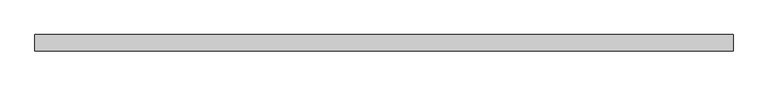
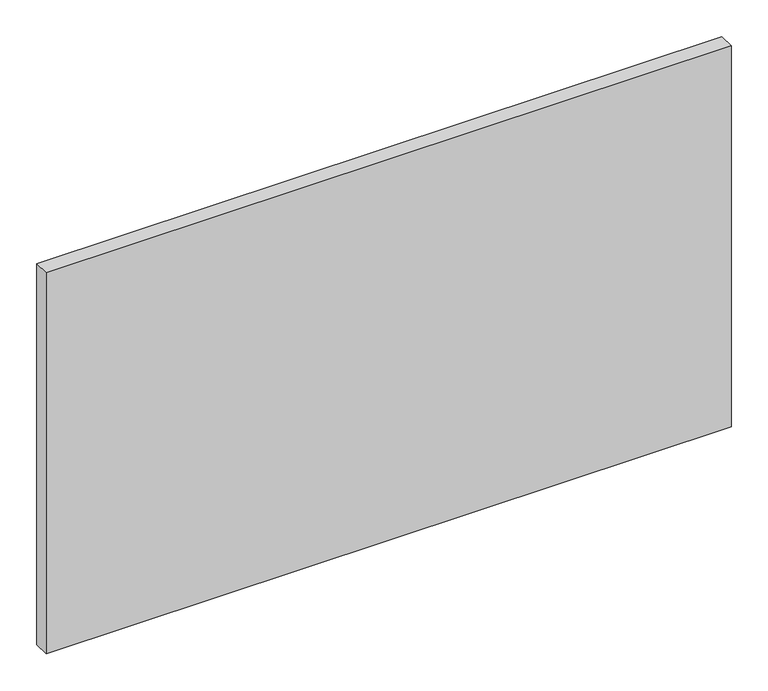
"""IFC4 building model written with IfcOpenShell, lengths in millimetres: plate geometry."""

from ifc_helpers import new_model, si_unit, origin, origin_with_axes, place, context, project, spatial, polyline, outline, extrude, source, transform, mapped, element, save


def plate_f79db81d(model_context):
    return source(origin(), model_context, "Body", "SweptSolid", [
        extrude(outline(polyline([(537.5, -12.5), (-537.5, -12.5), (-537.5, 12.5), (537.5, 12.5), (537.5, -12.5)])), origin_with_axes(), (0.0, 0.0, 1.0), 631.8371653),
    ])


if __name__ == "__main__":
    model = new_model("IFC4")
    model_context = context("Model", 3, world=origin())
    ifc_project = project(units=[si_unit("LENGTHUNIT", "METRE", prefix="MILLI")], contexts=[model_context])
    site = spatial("IfcSite", under=ifc_project)
    building = spatial("IfcBuilding", under=site)
    placement = place(None, origin())
    plate_shape = plate_f79db81d(model_context)
    element("IfcPlate", 1, at=placement, inside=building, context=model_context, shape_type="MappedRepresentation", body=[
        mapped(plate_shape, transform((0.0, 0.0, 0.0), x_axis=(1.0, 0.0, 0.0), y_axis=(0.0, 1.0, 0.0), z_axis=(0.0, 0.0, 1.0))),
    ])
    save(model, "model.ifc")
